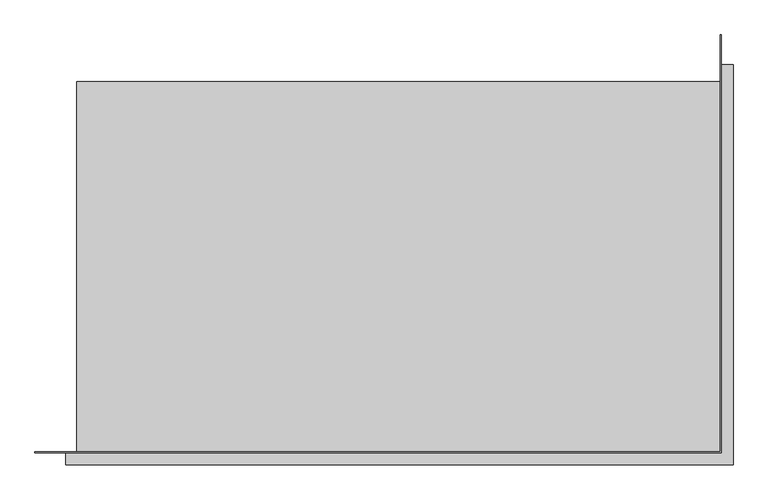
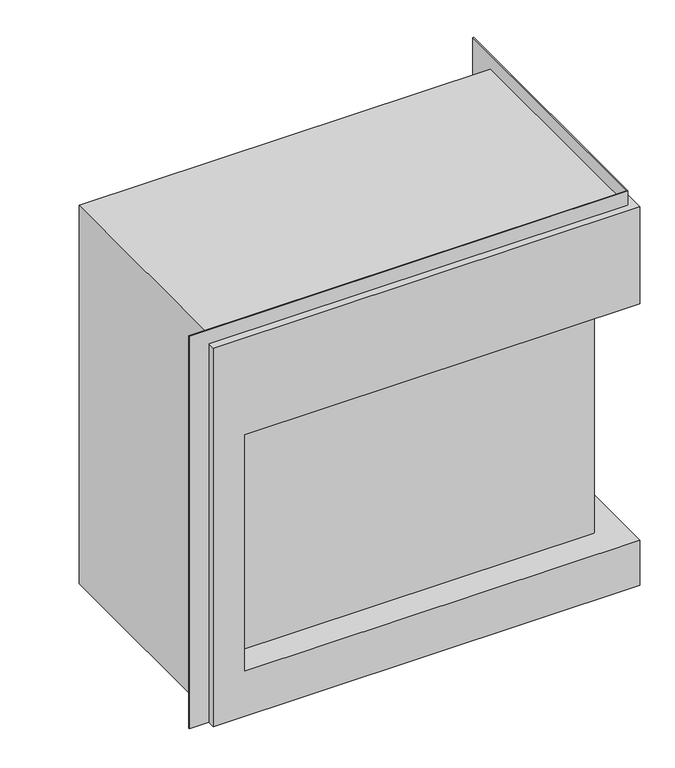
"""IFC4 building model written with IfcOpenShell, lengths in millimetres: proxy geometry."""

from ifc_helpers import new_model, si_unit, origin, place, context, project, spatial, faceted_brep, source, transform, mapped, element, save


def generic_models_9d85d886(model_context):
    return source(origin(), model_context, "Body", "Brep", [
        faceted_brep([(-537.8323, 0.0, 1006.475), (-537.8323, -18.9992, 1006.475), (535.5209, -18.9992, 1006.475), (535.5209, 625.18798, 1006.475), (516.5217, 625.18798, 1006.475), (516.5217, 597.41943, 1006.475), (516.5217, 0.0, 1006.475), (-519.6459, 0.0, 1006.475), (514.9179654, 597.41943, 1006.475), (-519.6459, 597.41943, 1006.475), (-519.6459, 1.524, 1006.475), (514.9179654, 1.524, 1006.475), (516.5217, 625.18798, 0.0), (535.5209, 625.18798, 0.0), (535.5209, -18.9992, 0.0), (-537.8323, -18.9992, 0.0), (-537.8323, 0.0, 0.0), (-587.1083, 0.0, 0.0), (-587.1083, 1.524, 0.0), (-519.6459, 1.524, 0.0), (-519.6459, 597.41943, 0.0), (514.9179654, 597.41943, 0.0), (514.9179654, 672.7952, 0.0), (516.5217, 672.7952, 0.0), (535.5209, -18.9992, 120.1836352), (-459.8416, -18.9992, 120.1836352), (-459.8416, -18.9992, 748.411), (535.5209, -18.9992, 748.411), (535.5209, 546.1508, 748.411), (535.5209, 546.1508, 120.1836352), (462.788, 546.1508, 748.411), (462.788, 546.1508, 120.1836352), (462.788, 54.0258, 748.411), (462.788, 54.0258, 120.1836352), (-459.8416, 54.0258, 120.1836352), (-459.8416, 54.0258, 748.411), (516.5217, 672.7952, 1044.575), (514.9179654, 672.7952, 1044.575), (514.9179654, 1.524, 1044.575), (-587.1083, 1.524, 1044.575), (-587.1083, 0.0, 1044.575), (516.5217, 0.0, 1044.575)], [[[0, 1, 2, 3, 4, 5, 6, 7]], [[8, 9, 10, 11]], [[12, 13, 14, 15, 16, 17, 18, 19, 20, 21, 22, 23]], [[1, 0, 16, 15]], [[2, 1, 15, 14, 24, 25, 26, 27]], [[3, 2, 27, 28, 29, 24, 14, 13]], [[4, 3, 13, 12]], [[30, 31, 29, 28]], [[31, 30, 32, 33]], [[29, 31, 33, 34, 25, 24]], [[30, 28, 27, 26, 35, 32]], [[35, 34, 33, 32]], [[34, 35, 26, 25]], [[20, 9, 8, 21]], [[9, 20, 19, 10]], [[36, 37, 38, 39, 40, 41]], [[37, 36, 23, 22]], [[38, 37, 22, 21, 8, 11]], [[39, 38, 11, 10, 19, 18]], [[40, 39, 18, 17]], [[41, 40, 17, 16, 0, 7, 6]], [[36, 41, 6, 5, 4, 12, 23]]]),
    ])


if __name__ == "__main__":
    model = new_model("IFC4")
    model_context = context("Model", 3, world=origin())
    ifc_project = project(units=[si_unit("LENGTHUNIT", "METRE", prefix="MILLI")], contexts=[model_context])
    site = spatial("IfcSite", under=ifc_project)
    building = spatial("IfcBuilding", under=site)
    placement = place(None, origin())
    generic_models_shape = generic_models_9d85d886(model_context)
    element("IfcBuildingElementProxy", 1, Name="Generic Models", at=placement, inside=building, context=model_context, shape_type="MappedRepresentation", body=[
        mapped(generic_models_shape, transform((0.0, 0.0, 0.0), x_axis=(1.0, 0.0, 0.0), y_axis=(0.0, 1.0, 0.0), z_axis=(0.0, 0.0, 1.0))),
    ])
    save(model, "model.ifc")
